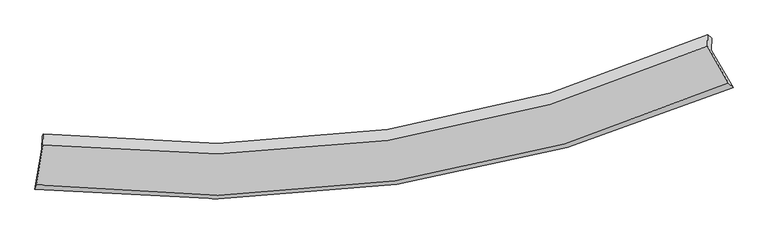
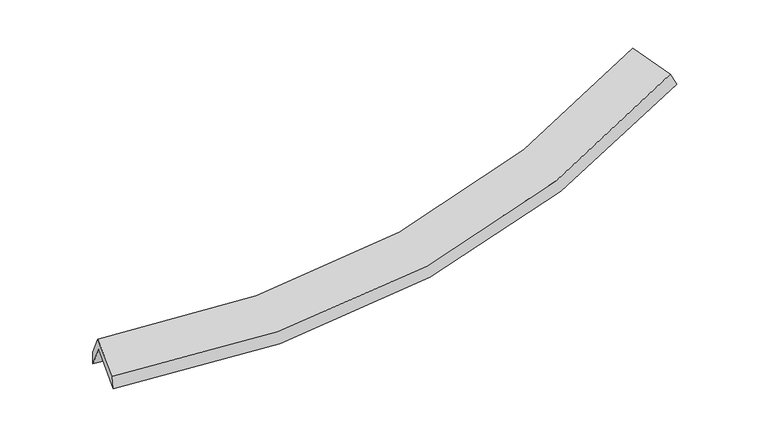
"""IFC4 building model written with IfcOpenShell, lengths in millimetres: proxy geometry."""

from ifc_helpers import new_model, si_unit, frame, origin, place, context, project, spatial, source, transform, mapped, element, save
from ifc_brep_helpers import plane_surface, spline_curve, spline_surface, advanced_brep


def generic_models_ec905361(model_context):
    return source(origin(), model_context, "Body", "AdvancedBrep", [
        advanced_brep(
        [(-5034.773573, -2622.6941123, 1509.7290207), (-4936.2082119, -2037.5760554, 1804.3537294), (4743.357432, -607.9965352, 2638.6328235), (5058.3583966, -1153.1390559, 2368.935609), (-4931.9336452, -1855.8146292, 1441.9495807), (4747.440934, -434.3594877, 2292.4274285), (-4916.9694321, -1822.5288697, 1619.9407117), (4690.9357951, -387.6176844, 2437.616447), (-4920.6833998, -1980.4527318, 1934.8164475), (4687.1060701, -550.4637289, 2762.3062525), (-5016.0197014, -2560.9296476, 1684.6967341), (4990.7598657, -1088.2198895, 2525.5587671)],
        [
            (0, 1),
            (1, 2, spline_curve(3, [(-4936.2082119, -2037.5760554, 1804.3537294), (-3210.189799686, -2279.168847873, 1681.04134605), (-1532.223200498, -2276.880588892, 1691.118379968), (1692.235776078, -1789.884062092, 1974.937931677), (3240.791057595, -1315.645814153, 2242.953929629), (4743.357432, -607.9965352, 2638.6328235)], [4, 2, 4], [0.0, 16.843118291084256, 33.32072596092855])),
            (2, 3),
            (3, 0, spline_curve(3, [(5058.3583966, -1153.1390559, 2368.935609), (3480.298392304, -1841.594435302, 1981.992840077), (1859.870325903, -2309.38907073, 1716.360852601), (-1502.606510756, -2809.138842157, 1424.517070307), (-3246.555767879, -2831.195892201, 1403.74686143), (-5034.773573, -2622.6941123, 1509.7290207)], [4, 2, 4], [0.0, 16.477607669844293, 33.32072596092855])),
            (1, 4),
            (4, 5, spline_curve(3, [(-4931.9336452, -1855.8146292, 1441.9495807), (-3206.000424596, -2101.029889033, 1325.859837133), (-1528.092226544, -2101.224962637, 1340.888250407), (1696.304211538, -1616.887657502, 1630.009880066), (3244.854206931, -1142.874203812, 1898.474082522), (4747.440934, -434.3594877, 2292.4274285)], [4, 2, 4], [0.0, 16.51507584309531, 32.67175987732764])),
            (5, 2),
            (4, 6),
            (6, 7, spline_curve(3, [(-4916.9694321, -1822.5288697, 1619.9407117), (-3210.757322924, -2024.657134682, 1530.398898034), (-1548.688675353, -2002.398957927, 1555.761859173), (1652.051284121, -1514.462129663, 1833.253396817), (3192.617712166, -1058.416577572, 2080.449014154), (4690.9357951, -387.6176844, 2437.616447)], [4, 2, 4], [0.0, 16.436063953788615, 32.51545072686366])),
            (7, 5),
            (6, 8),
            (8, 9, spline_curve(3, [(-4920.6833998, -1980.4527318, 1934.8164475), (-3214.479485618, -2182.929447697, 1845.96939136), (-1552.424749576, -2161.262816154, 1872.511801446), (1648.276378899, -1674.977151254, 2153.295503454), (3188.818132649, -1219.980782373, 2402.583029161), (4687.1060701, -550.4637289, 2762.3062525)], [4, 2, 4], [0.0, 16.357985763781265, 32.36098871289459])),
            (9, 7),
            (8, 10),
            (10, 11, spline_curve(3, [(-5016.0197014, -2560.9296476, 1684.6967341), (-3240.366049073, -2777.629910209, 1579.131391161), (-1509.98472981, -2759.358444419, 1598.545286251), (1823.664879491, -2258.367655964, 1884.198095337), (3428.876749522, -1785.735869832, 2145.071544364), (4990.7598657, -1088.2198895, 2525.5587671)], [4, 2, 4], [0.0, 16.696701889094975, 33.03107052287036])),
            (11, 9),
            (10, 0),
            (3, 11),
        ],
        [
            spline_surface(3, 3, [[(-5034.773573, -2622.6941123, 1509.7290207), (-3246.555767799, -2831.195892185, 1403.746861371), (-1502.606510899, -2809.138842121, 1424.517070133), (1859.870326042, -2309.389070765, 1716.360852772), (3480.298392299, -1841.594435345, 1981.992840118), (5058.3583966, -1153.1390559, 2368.935609)], [(-5001.918452623, -2427.654759998, 1607.937256923), (-3234.433778505, -2647.186877346, 1496.178356275), (-1512.478740737, -2631.719424412, 1513.384173366), (1803.992142653, -2136.220734549, 1802.553212476), (3400.462614068, -1666.278228238, 2068.979869919), (4953.358075056, -971.424882312, 2458.834680502)], [(-4969.063332277, -2232.615407702, 1706.145493177), (-3222.31178924, -2463.177862514, 1588.609851208), (-1522.350970513, -2454.300006639, 1602.251276561), (1748.113959324, -1963.05239827, 1888.745572142), (3320.626835869, -1490.962021194, 2155.966899713), (4848.357753544, -789.710708788, 2548.733751998)], [(-4936.2082119, -2037.5760554, 1804.3537294), (-3210.189799946, -2279.168847675, 1681.041346112), (-1532.223200351, -2276.88058893, 1691.118379795), (1692.235775934, -1789.884062054, 1974.937931847), (3240.791057638, -1315.645814087, 2242.953929514), (4743.357432, -607.9965352, 2638.6328235)]], [4, 4], [4, 2, 4], [0.0, 1.9551578372323517], [0.0, 16.843118291084256, 33.32072596092855]),
            spline_surface(3, 3, [[(-4936.2082119, -2037.5760554, 1804.3537294), (-3210.189799946, -2279.168847675, 1681.041346112), (-1532.223200351, -2276.88058893, 1691.118379795), (1692.235775934, -1789.884062054, 1974.937931847), (3240.791057638, -1315.645814087, 2242.953929514), (4743.357432, -607.9965352, 2638.6328235)], [(-4934.783356338, -1976.988913326, 1683.55234649), (-3208.793341461, -2219.789194829, 1562.647509812), (-1530.846209084, -2218.328713403, 1574.375003335), (1693.591921153, -1732.218593927, 1859.961914535), (3242.14544066, -1258.055277396, 2128.127313887), (4744.718599317, -550.11751939, 2523.231025164)], [(-4933.358500762, -1916.401771274, 1562.75096361), (-3207.396882962, -2160.409542004, 1444.253673543), (-1529.46921784, -2159.776837932, 1457.631626949), (1694.948066348, -1674.553125857, 1744.985897297), (3243.49982373, -1200.464740636, 2013.300698269), (4746.079766683, -492.23850351, 2407.829226836)], [(-4931.9336452, -1855.8146292, 1441.9495807), (-3206.000424477, -2101.029889158, 1325.859837243), (-1528.092226573, -2101.224962404, 1340.888250489), (1696.304211566, -1616.887657729, 1630.009879986), (3244.854206752, -1142.874203944, 1898.474082643), (4747.440934, -434.3594877, 2292.4274285)]], [4, 4], [4, 2, 4], [0.0, 1.2760269971609064], [0.0, 16.51507584309531, 32.67175987732764]),
            spline_surface(3, 3, [[(-4931.9336452, -1855.8146292, 1441.9495807), (-3206.000424477, -2101.029889158, 1325.859837243), (-1528.092226573, -2101.224962404, 1340.888250489), (1696.304211566, -1616.887657729, 1630.009879986), (3244.854206752, -1142.874203944, 1898.474082643), (4747.440934, -434.3594877, 2292.4274285)], [(-4926.945574151, -1844.719376036, 1501.2799577), (-3207.586057332, -2075.572304292, 1394.039524136), (-1534.957709511, -2068.282960968, 1412.512786693), (1681.55323576, -1582.745815033, 1697.757718954), (3227.442041921, -1114.721661834, 1959.132393135), (4728.605887724, -418.778886584, 2340.823768007)], [(-4921.957503149, -1833.624122864, 1560.6103347), (-3209.171690234, -2050.114719419, 1462.219211029), (-1541.823192446, -2035.340959461, 1484.137322896), (1666.802259958, -1548.603972265, 1765.505557921), (3210.029877018, -1086.569119773, 2019.790703606), (4709.770841376, -403.198285516, 2389.220107493)], [(-4916.9694321, -1822.5288697, 1619.9407117), (-3210.757323089, -2024.657134553, 1530.398897921), (-1548.688675384, -2002.398958025, 1555.761859099), (1652.051284152, -1514.462129568, 1833.253396889), (3192.617712186, -1058.416577663, 2080.449014099), (4690.9357951, -387.6176844, 2437.616447)]], [4, 4], [4, 2, 4], [0.0, 0.7687749981655345], [0.0, 16.436063953788615, 32.51545072686366]),
            spline_surface(3, 3, [[(-4916.9694321, -1822.5288697, 1619.9407117), (-3210.757323089, -2024.657134553, 1530.398897921), (-1548.688675384, -2002.398958025, 1555.761859099), (1652.051284152, -1514.462129568, 1833.253396889), (3192.617712186, -1058.416577663, 2080.449014099), (4690.9357951, -387.6176844, 2437.616447)], [(-4918.207421359, -1875.170157076, 1724.899290294), (-3211.998043911, -2077.414572355, 1635.589062485), (-1549.934033415, -2055.353577376, 1661.345173152), (1650.792982397, -1567.967136805, 1939.93409919), (3191.351185728, -1112.271312501, 2187.827019101), (4689.659220102, -441.899699228, 2545.846382163)], [(-4919.445410541, -1927.811444424, 1829.857868906), (-3213.238764656, -2130.17201013, 1740.779227068), (-1551.179391489, -2108.308196752, 1766.928487127), (1649.534680599, -1621.472144066, 2046.614801414), (3190.084659262, -1166.126047355, 2295.205024115), (4688.382645098, -496.181714072, 2654.076317337)], [(-4920.6833998, -1980.4527318, 1934.8164475), (-3214.479485478, -2182.929447931, 1845.969391632), (-1552.42474952, -2161.262816103, 1872.51180118), (1648.276378844, -1674.977151303, 2153.295503715), (3188.818132804, -1219.980782193, 2402.583029117), (4687.1060701, -550.4637289, 2762.3062525)]], [4, 4], [4, 2, 4], [0.0, 1.168560390688075], [0.0, 16.357985763781265, 32.36098871289459]),
            spline_surface(3, 3, [[(-4920.6833998, -1980.4527318, 1934.8164475), (-3214.479485478, -2182.929447931, 1845.969391632), (-1552.42474952, -2161.262816103, 1872.51180118), (1648.276378844, -1674.977151303, 2153.295503715), (3188.818132804, -1219.980782193, 2402.583029117), (4687.1060701, -550.4637289, 2762.3062525)], [(-4952.462167005, -2173.94503706, 1851.443209702), (-3223.108339922, -2381.162935423, 1757.023391402), (-1538.278076325, -2360.62802549, 1781.18962956), (1706.739212393, -1869.440652928, 2063.596367563), (3268.837671737, -1408.565811351, 2316.745867461), (4788.324001967, -729.715782443, 2683.390424021)], [(-4984.240934195, -2367.43734234, 1768.069971898), (-3231.737194352, -2579.396422936, 1668.077391166), (-1524.131403067, -2559.993234846, 1689.867457946), (1765.202046004, -2063.904154521, 1973.897231416), (3348.857210669, -1597.150840479, 2230.908705842), (4889.541933833, -908.967835957, 2604.474595579)], [(-5016.0197014, -2560.9296476, 1684.6967341), (-3240.366048796, -2777.629910428, 1579.131390936), (-1509.984729873, -2759.358444233, 1598.545286325), (1823.664879552, -2258.367656146, 1884.198095264), (3428.876749602, -1785.735869636, 2145.071544186), (4990.7598657, -1088.2198895, 2525.5587671)]], [4, 4], [4, 2, 4], [0.0, 2.162536235323616], [0.0, 16.696701889094975, 33.03107052287036]),
            spline_surface(3, 3, [[(-5016.0197014, -2560.9296476, 1684.6967341), (-3240.366048796, -2777.629910428, 1579.131390936), (-1509.984729873, -2759.358444233, 1598.545286325), (1823.664879552, -2258.367656146, 1884.198095264), (3428.876749602, -1785.735869636, 2145.071544186), (4990.7598657, -1088.2198895, 2525.5587671)], [(-5022.270991924, -2581.517802504, 1626.374162991), (-3242.429288455, -2795.485237685, 1520.669881105), (-1507.525323527, -2775.951910168, 1540.535880916), (1835.733361737, -2275.374794324, 1828.252347755), (3446.017297168, -1804.35539155, 2090.711976173), (5013.292709334, -1109.859611643, 2473.351047742)], [(-5028.522282476, -2602.105957396, 1568.051591809), (-3244.492528141, -2813.340564928, 1462.208371202), (-1505.065917244, -2792.545376187, 1482.526475543), (1847.801843858, -2292.381932586, 1772.306600282), (3463.157844733, -1822.974913432, 2036.352408132), (5035.825552966, -1131.499333757, 2421.143328358)], [(-5034.773573, -2622.6941123, 1509.7290207), (-3246.555767799, -2831.195892185, 1403.746861371), (-1502.606510899, -2809.138842121, 1424.517070133), (1859.870326042, -2309.389070765, 1716.360852772), (3480.298392299, -1841.594435345, 1981.992840118), (5058.3583966, -1153.1390559, 2368.935609)]], [4, 4], [4, 2, 4], [0.0, 0.5891027240548189], [0.0, 17.1037527573, 33.83633889403636]),
            plane_surface(frame((4819.6597489, -703.6327303, 2504.2462213), z_axis=(0.8879102900769501, 0.40691515466443245, 0.21455855536400173), x_axis=(0.459114608625248, -0.8130697287488946, -0.3579544556770938))),
            plane_surface(frame((-4959.4313272, -2146.6660077, 1665.9143707), z_axis=(-0.9888138164225367, 0.13767371903018627, 0.05738626612958302), x_axis=(0.10055983244415186, 0.33118624059226853, 0.938191555142746))),
        ],
        [
            (0, [[1, 2, 3, 4]]),
            (1, [[5, 6, 7, -2]]),
            (2, [[8, 9, 10, -6]]),
            (3, [[11, 12, 13, -9]]),
            (4, [[14, 15, 16, -12]]),
            (5, [[17, -4, 18, -15]]),
            (6, [[-16, -18, -3, -7, -10, -13]]),
            (7, [[-17, -14, -11, -8, -5, -1]]),
        ],
    ),
    ])


if __name__ == "__main__":
    model = new_model("IFC4")
    model_context = context("Model", 3, world=origin())
    ifc_project = project(units=[si_unit("LENGTHUNIT", "METRE", prefix="MILLI")], contexts=[model_context])
    site = spatial("IfcSite", under=ifc_project)
    building = spatial("IfcBuilding", under=site)
    placement = place(None, origin())
    generic_models_shape = generic_models_ec905361(model_context)
    element("IfcBuildingElementProxy", 1, Name="Generic Models", at=placement, inside=building, context=model_context, shape_type="MappedRepresentation", body=[
        mapped(generic_models_shape, transform((0.0, 0.0, 0.0), x_axis=(1.0, 0.0, 0.0), y_axis=(0.0, 1.0, 0.0), z_axis=(0.0, 0.0, 1.0))),
    ])
    save(model, "model.ifc")
